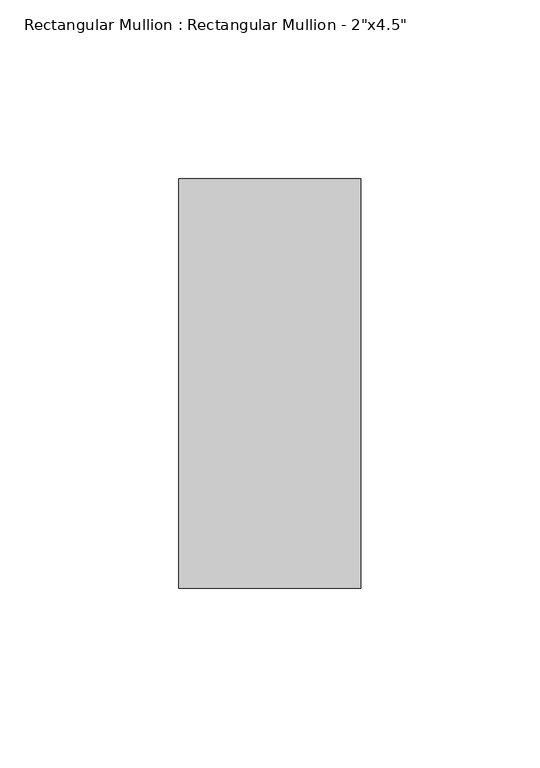
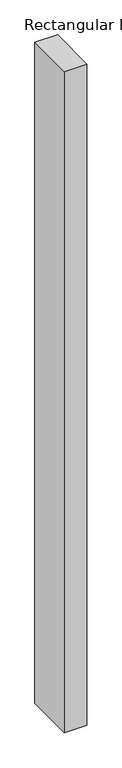
"""IFC4 building model written with IfcOpenShell, lengths in millimetres: member geometry."""

from ifc_helpers import new_model, si_unit, frame, origin, place, context, project, spatial, polyline, outline, extrude, source, transform, mapped, element, save


def member_96a62bca(model_context):
    return source(origin(), model_context, "Body", "SweptSolid", [
        extrude(outline(polyline([(0.0, 57.15), (0.0, -57.15), (-50.8, -57.15), (-50.8, 57.15), (0.0, 57.15)])), frame((0.0, 0.0, -1568.45), z_axis=(0.0, 0.0, 1.0), x_axis=(1.0, 0.0, 0.0)), (0.0, 0.0, 1.0), 1568.45),
    ])


if __name__ == "__main__":
    model = new_model("IFC4")
    model_context = context("Model", 3, world=origin())
    ifc_project = project(units=[si_unit("LENGTHUNIT", "METRE", prefix="MILLI")], contexts=[model_context])
    site = spatial("IfcSite", under=ifc_project)
    building = spatial("IfcBuilding", under=site)
    placement = place(None, origin())
    member_shape = member_96a62bca(model_context)
    element("IfcMember", 1, ObjectType="Rectangular Mullion : Rectangular Mullion - 2\"x4.5\"", at=placement, inside=building, context=model_context, shape_type="MappedRepresentation", body=[
        mapped(member_shape, transform((0.0, 0.0, 0.0), x_axis=(1.0, 0.0, 0.0), y_axis=(0.0, 1.0, 0.0), z_axis=(0.0, 0.0, 1.0))),
    ])
    save(model, "model.ifc")
